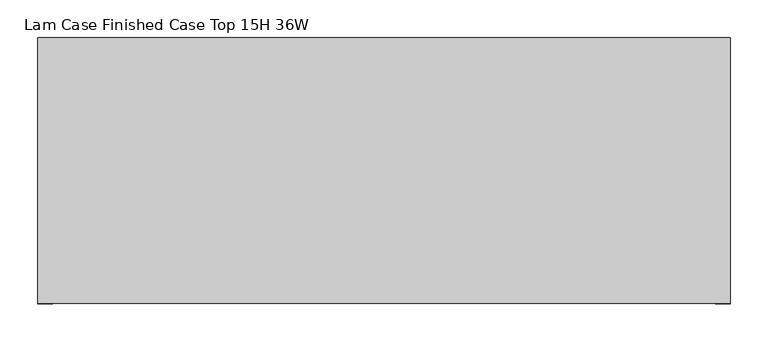
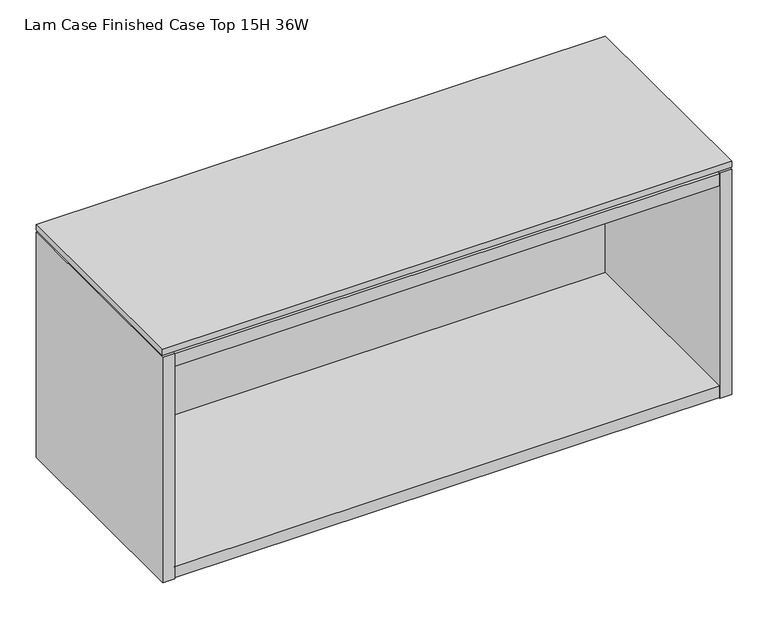
"""IFC4 building model written with IfcOpenShell, lengths in millimetres: furniture geometry, Lam Case Finished Case Top 15H 36W."""

from ifc_helpers import new_model, si_unit, frame, origin, place, context, project, spatial, polyline, outline, extrude, faceted_brep, source, transform, mapped, element, save


def lam_case_finished_case_top_15h_36w_f5b55a4a(model_context):
    return source(origin(), model_context, "Body", "SolidModel", [
        extrude(outline(polyline([(454.2234375, -191.0115724), (-457.2, -191.0115724), (-457.2, 158.8226276), (454.2234375, 158.8226276), (454.2234375, -191.0115724)])), frame((0.0, 0.0, 1146.302), z_axis=(0.0, 0.0, 1.0), x_axis=(1.0, 0.0, 0.0)), (0.0, 0.0, 1.0), 9.779),
        faceted_brep([(434.9194375, -191.0115724, 782.066), (-437.896, -191.0115724, 782.066), (-437.896, -191.0115724, 762.762), (434.9194375, -191.0115724, 762.762), (-437.896, 145.5282676, 1121.31475), (434.9194375, 145.5282676, 1121.31475), (434.9194375, 145.5282676, 762.0), (-437.896, 145.5282676, 762.0), (434.9194375, 126.2242676, 782.066), (-437.896, 126.2242676, 782.066), (-437.896, 126.2242676, 762.762), (434.9194375, 126.2242676, 762.762), (-437.896, 158.8226276, 1143.0), (-457.2, 158.8226276, 1143.0), (-457.2, -191.7735724, 1143.0), (-437.896, -191.7735724, 1143.0), (434.9194375, -191.7735724, 1143.0), (454.2234375, -191.7735724, 1143.0), (454.2234375, 158.8226276, 1143.0), (434.9194375, 158.8226276, 1143.0), (-437.896, -191.7735724, 762.0), (-457.2, -191.7735724, 762.0), (-457.2, 158.8226276, 762.0), (-437.896, 158.8226276, 762.0), (434.9194375, 158.8226276, 762.0), (454.2234375, 158.8226276, 762.0), (454.2234375, -191.7735724, 762.0), (434.9194375, -191.7735724, 762.0), (434.9194375, 126.2242676, 762.0), (-437.896, 126.2242676, 762.0), (-437.896, 158.8226276, 1142.238), (434.9194375, 158.8226276, 1142.238), (434.9194375, 158.8226276, 1121.31475), (-437.896, 158.8226276, 1121.31475), (-437.896, 126.2242676, 1121.31475), (-437.896, -191.0115724, 1121.31475), (-437.896, -191.0115724, 1142.238), (434.9194375, -191.0115724, 1142.238), (434.9194375, -191.0115724, 1121.31475), (434.9194375, 126.2242676, 1121.31475)], [[[0, 1, 2, 3]], [[4, 5, 6, 7]], [[1, 0, 8, 9]], [[3, 2, 10, 11]], [[12, 13, 14, 15]], [[16, 17, 18, 19]], [[20, 21, 22, 23, 7, 6, 24, 25, 26, 27, 28, 29]], [[13, 12, 30, 31, 19, 18, 25, 24, 32, 33, 23, 22]], [[14, 13, 22, 21]], [[15, 14, 21, 20]], [[4, 7, 23, 33]], [[12, 15, 20, 29, 10, 2, 1, 9, 34, 35, 36, 30]], [[6, 5, 32, 24]], [[16, 19, 31, 37, 38, 39, 8, 0, 3, 11, 28, 27]], [[17, 16, 27, 26]], [[18, 17, 26, 25]], [[37, 36, 35, 38]], [[36, 37, 31, 30]], [[33, 32, 5, 4]], [[38, 35, 34, 39]], [[9, 8, 39, 34]], [[29, 28, 11, 10]]]),
    ])


if __name__ == "__main__":
    model = new_model("IFC4")
    model_context = context("Model", 3, world=origin())
    ifc_project = project(units=[si_unit("LENGTHUNIT", "METRE", prefix="MILLI")], contexts=[model_context])
    site = spatial("IfcSite", under=ifc_project)
    building = spatial("IfcBuilding", under=site)
    placement = place(None, origin())
    lam_case_finished_case_top_15h_36w_shape = lam_case_finished_case_top_15h_36w_f5b55a4a(model_context)
    element("IfcFurniture", 1, ObjectType="Lam Case Finished Case Top 15H 36W", at=placement, inside=building, context=model_context, shape_type="MappedRepresentation", body=[
        mapped(lam_case_finished_case_top_15h_36w_shape, transform((0.0, 0.0, 0.0), x_axis=(1.0, 0.0, 0.0), y_axis=(0.0, 1.0, 0.0), z_axis=(0.0, 0.0, 1.0))),
    ])
    save(model, "model.ifc")
